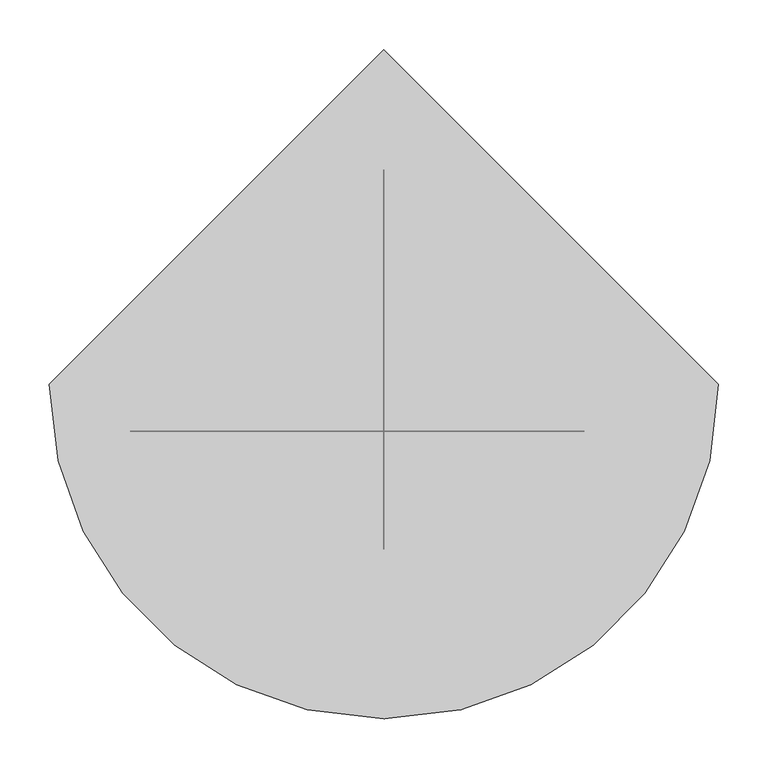
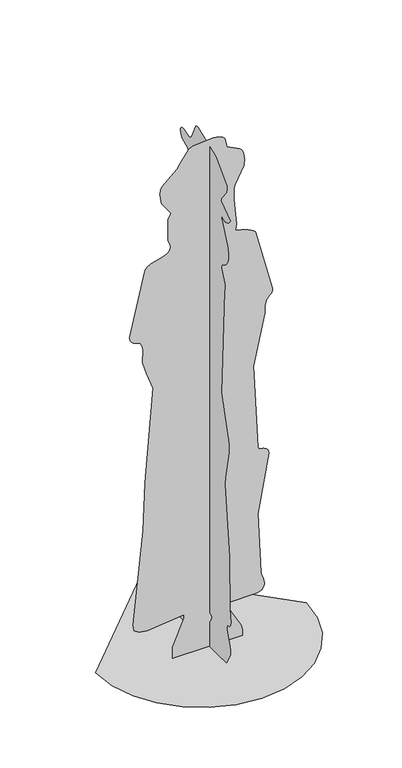
"""IFC4 building model written with IfcOpenShell, lengths in millimetres: proxy geometry."""

from ifc_helpers import new_model, si_unit, origin, place, context, project, spatial, triangles, source, transform, mapped, element, save


def entourage_bccc4cec(model_context):
    return source(origin(), model_context, "Body", "Tessellation", [
        triangles([(-118.6024808, -47.6347378, 38.0857067), (-82.4820657, -47.6347378, 123.5964438), (-82.4078333, -47.6347378, 135.8076262), (-201.8741967, -47.6347378, 123.6873812), (-226.8996859, -47.6347378, 127.3924875), (-242.8002052, -47.6347378, 138.1060324), (-245.9829143, -47.6347378, 157.9872498), (-214.4621093, -47.6347378, 467.6612801), (-208.2590723, -47.6347378, 628.7997002), (-182.2156765, -47.6347378, 942.5936279), (-202.3817602, -47.6347378, 998.3094858), (-215.4855752, -47.6347378, 1039.6298561), (-215.821474, -47.6347378, 1048.3150091), (-215.4215529, -47.6347378, 1056.8906485), (-214.7395452, -47.6347378, 1065.4273367), (-214.2301286, -47.6347378, 1073.9983252), (-214.3442568, -47.6347378, 1082.6742491), (-215.5356812, -47.6347378, 1091.525453), (-218.2581531, -47.6347378, 1100.6244616), (-222.7723761, -47.6347378, 1107.0752306), (-229.4309994, -47.6347378, 1111.2517199), (-237.1539292, -47.6347378, 1114.3369967), (-244.8601449, -47.6347378, 1117.5141283), (-251.4686623, -47.6347378, 1121.9680716), (-255.900314, -47.6347378, 1128.8818937), (-257.0722446, -47.6347378, 1139.4385895), (-207.167878, -47.6347378, 1352.9180008), (-199.4588645, -47.6347378, 1360.8821949), (-187.4852313, -47.6347378, 1366.7168678), (-173.049866, -47.6347378, 1371.2960941), (-157.9566194, -47.6347378, 1375.4901695), (-144.0093421, -47.6347378, 1380.1752033), (-133.0118575, -47.6347378, 1386.2222179), (-126.7670806, -47.6347378, 1394.5047066), (-125.4318332, -47.6347378, 1401.2803104), (-127.4128987, -47.6347378, 1413.4284061), (-129.6649143, -47.6347378, 1418.6895676), (-132.0486986, -47.6347378, 1423.3336155), (-134.0325528, -47.6347378, 1427.3051754), (-132.6945168, -47.6347378, 1497.2716896), (-129.1053917, -47.6347378, 1508.7544189), (-123.9945118, -47.6347378, 1516.4930454), (-154.1540899, -47.6347378, 1559.4809738), (-159.758617, -47.6347378, 1590.521957), (-157.2634931, -47.6347378, 1607.9851353), (-153.0368979, -47.6347378, 1617.2900906), (-104.5874569, -47.6347378, 1660.6611351), (-95.4448464, -47.6347378, 1675.8824444), (-68.2647649, -47.6347378, 1712.8964642), (-54.7860727, -47.6347378, 1720.8058651), (13.7932521, -47.6347378, 1725.7014965), (32.0821851, -47.6347378, 1722.1345631), (43.5352696, -47.6347378, 1716.6933254), (49.9127374, -47.6347378, 1709.5716671), (56.2159682, -47.6347378, 1680.0682354), (98.2526783, -47.6347378, 1658.6643093), (104.3554853, -47.6347378, 1651.602095), (108.8919907, -47.6347378, 1641.2540348), (113.2271458, -47.6347378, 1617.3336926), (111.7879713, -47.6347378, 1597.1945148), (82.8124053, -47.6347378, 1541.3868748), (78.3955873, -47.6347378, 1530.3560074), (78.221143, -47.6347378, 1494.4090736), (81.1505336, -47.6347378, 1473.5953732), (87.0705392, -47.6347378, 1407.3951988), (83.9407339, -47.6347378, 1386.1879177), (93.3691373, -47.6347378, 1383.7559441), (103.6669826, -47.6347378, 1380.9944847), (114.2487677, -47.6347378, 1377.7940987), (124.5280548, -47.6347378, 1374.0491238), (133.9212042, -47.6347378, 1369.6499737), (141.8417691, -47.6347378, 1364.4908409), (147.707027, -47.6347378, 1358.4631565), (203.1565494, -47.6347378, 1147.7563231), (202.6489859, -47.6347378, 1140.2069292), (200.5667729, -47.6347378, 1134.3936213), (197.3998514, -47.6347378, 1129.8329258), (193.6427769, -47.6347378, 1126.0443489), (189.7864171, -47.6347378, 1122.5442719), (186.3244191, -47.6347378, 1118.8530727), (183.7485771, -47.6347378, 1114.4864061), (180.7412388, -47.6347378, 1104.3026527), (179.3224846, -47.6347378, 1093.7014103), (178.9838061, -47.6347378, 1082.7503345), (179.2129891, -47.6347378, 1071.5218048), (142.1618895, -47.6347378, 903.7795), (156.0238159, -47.6347378, 623.7611996), (158.5087296, -47.6347378, 617.7901251), (163.2568046, -47.6347378, 614.8626148), (169.444036, -47.6347378, 613.3956259), (176.2446383, -47.6347378, 611.8079321), (182.8318089, -47.6347378, 608.5167086), (188.3815792, -47.6347378, 601.937895), (192.0662743, -47.6347378, 590.4912827), (156.0238159, -47.6347378, 396.418899), (165.8020344, -47.6347378, 192.9106632), (168.1923137, -47.6347378, 185.5199261), (170.9797162, -47.6347378, 177.5863805), (173.6307353, -47.6347378, 169.2955894), (175.6127365, -47.6347378, 160.8312623), (176.3903053, -47.6347378, 152.3799431), (175.4317882, -47.6347378, 144.1253325), (168.3491173, -47.6347378, 133.8915095), (154.6421597, -47.6347378, 127.7701444), (58.9885369, -47.6347378, 127.4899198), (56.2159682, -47.6347378, 116.4005713), (101.0707112, -47.6347378, 37.099348), (106.6641016, -47.6347378, 18.0541748), (105.8020812, -47.6347378, 0.0), (-118.3148349, -47.6347378, 0.0), (0.0, -54.5513123, 115.1627471), (0.0, -59.6705447, 112.2277973), (0.0, -61.6061461, 107.3080667), (0.0, -59.5796119, 99.6946324), (0.0, -52.8142817, 88.6758101), (0.0, -44.5346181, 79.7484753), (0.0, -38.0847779, 77.4212917), (0.0, -33.3088703, 80.3915047), (0.0, -30.0537933, 87.3554056), (0.0, -27.8620893, 119.17314), (0.0, -145.2091235, 6.8673968), (0.0, -161.5494597, 35.043119), (0.0, -163.7123909, 41.543994), (0.0, -165.0513535, 56.4646448), (0.0, -162.6425252, 70.0333479), (0.0, -147.9891137, 107.0380432), (0.0, -145.6443077, 119.6101773), (0.0, -147.0779139, 133.0350574), (0.0, -159.4477711, 133.9267726), (0.0, -165.7983283, 141.170898), (0.0, -167.6643299, 152.8364741), (0.0, -161.6821551, 195.066182), (0.0, -158.8307121, 370.4998415), (0.0, -134.8528152, 604.4088924), (0.0, -137.4657826, 630.1117567), (0.0, -156.4692102, 724.2417669), (0.0, -156.1305136, 755.55846), (0.0, -114.2079362, 903.3963112), (0.0, -130.4434278, 1258.6544231), (0.0, -135.0133432, 1270.3422272), (0.0, -134.2635979, 1282.5154667), (0.0, -115.83826, 1329.7483395), (0.0, -116.8218392, 1339.6092201), (0.0, -129.4932587, 1346.1220493), (0.0, -140.4582689, 1355.1042046), (0.0, -148.9049553, 1366.6277744), (0.0, -154.0176883, 1380.767173), (0.0, -154.9836359, 1397.5927448), (0.0, -150.989948, 1417.1780319), (0.0, -111.0354464, 1505.4037514), (0.0, -130.1557818, 1498.7358444), (0.0, -138.0614948, 1498.2014294), (0.0, -145.1534492, 1499.6340454), (0.0, -151.6478293, 1503.109996), (0.0, -157.761773, 1508.7042767), (0.0, -163.7123909, 1516.4930454), (0.0, -111.0354464, 1555.307246), (0.0, -115.3928657, 1565.6672241), (0.0, -142.5367666, 1601.7699623), (0.0, -145.4540849, 1612.3184464), (0.0, -144.3053451, 1624.618713), (0.0, -83.3116117, 1688.3858963), (0.0, 16.4971557, 1727.1999516), (0.0, 26.1092848, 1726.2803856), (0.0, 33.1455604, 1716.0308659), (0.0, 45.9051286, 1684.0145061), (0.0, 54.8352521, 1670.4856808), (0.0, 67.6013152, 1664.1008961), (0.0, 95.5905315, 1672.8909119), (0.0, 103.6679091, 1673.2759174), (0.0, 109.6602941, 1670.5971565), (0.0, 113.1909561, 1665.3155022), (0.0, 113.8794588, 1657.8950249), (0.0, 111.3472188, 1648.7960163), (0.0, 105.2165792, 1638.4815296), (0.0, 102.276061, 1635.772102), (0.0, 74.7192492, 1624.618713), (0.0, 65.7640727, 1614.5842964), (0.0, 62.4319768, 1602.0939251), (0.0, 63.3793663, 1588.1735538), (0.0, 83.036029, 1538.6727962), (0.0, 77.4992394, 1529.7277027), (0.0, 75.4829108, 1476.4142418), (0.0, 71.8251217, 1469.4614685), (0.0, 16.4971557, 1466.5886787), (0.0, 16.4971557, 1366.7799454), (0.0, 18.8484578, 1360.1881966), (0.0, 52.5396255, 1327.9658901), (0.0, 105.3622552, 1231.39911), (0.0, 120.552925, 982.93041), (0.0, 166.2103126, 823.3777943), (0.0, 167.4165798, 801.2900436), (0.0, 164.7089689, 783.1904217), (0.0, 144.2060597, 730.9643944), (0.0, 144.0306889, 718.0239052), (0.0, 171.7554501, 645.9398603), (0.0, 186.7995173, 525.8657578), (0.0, 217.1038449, 449.5254684), (0.0, 217.3831338, 436.7788991), (0.0, 207.796982, 424.1436602), (0.0, 134.1002903, 404.8247449), (0.0, 105.2156526, 404.7365962), (0.0, 152.8058437, 209.5887694), (0.0, 152.0635289, 186.4487575), (0.0, 141.0131496, 169.2779487), (0.0, 115.8067122, 150.5668179), (0.0, 57.3786288, 128.2990456), (0.0, 49.7670568, 127.4899198), (0.0, 46.994488, 116.4005713), (0.0, 56.6344519, 98.9615921), (0.0, 86.1621281, 72.0468923), (0.0, 157.830428, 32.1499226), (0.0, 159.4357079, 29.2929136), (0.0, 159.4867404, 24.5244297), (0.0, 158.6367741, 18.6443198), (0.0, 157.534425, 12.4515065), (0.0, 156.8329416, 6.7467698), (0.0, 157.1827568, 2.32996), (0.0, 159.2362106, 0.0), (0.0, -142.9329816, 0.0), (-339.349272, 0.0, 0.0), (-330.3783079, -77.756264, 0.0), (-304.8276146, -149.1629065, 0.0), (-264.7450685, -212.1748216, 0.0), (-212.1748216, -264.7450685, 0.0), (-149.1629065, -304.8276146, 0.0), (-77.756264, -330.3783079, 0.0), (0.0, -339.349272, 0.0), (77.756264, -330.3783079, 0.0), (149.1629065, -304.8276146, 0.0), (212.1748216, -264.7450685, 0.0), (264.7450685, -212.1748216, 0.0), (304.8276146, -149.1629065, 0.0), (330.3783079, -77.756264, 0.0), (339.349272, 0.0, 0.0), (0.0, 339.349272, 0.0)], [[108, 109, 110], [107, 108, 110], [107, 110, 1], [106, 107, 1], [106, 1, 2], [106, 2, 3], [105, 106, 3], [5, 6, 7], [4, 5, 7], [4, 7, 8], [3, 4, 8], [105, 3, 8], [104, 105, 8], [103, 104, 8], [102, 103, 8], [101, 102, 8], [100, 101, 8], [99, 100, 8], [98, 99, 8], [97, 98, 8], [96, 97, 8], [95, 96, 8], [95, 8, 9], [94, 95, 9], [93, 94, 9], [92, 93, 9], [91, 92, 9], [90, 91, 9], [89, 90, 9], [88, 89, 9], [87, 88, 9], [86, 87, 9], [86, 9, 10], [86, 10, 11], [85, 86, 11], [84, 85, 11], [84, 11, 12], [84, 12, 13], [84, 13, 14], [84, 14, 15], [84, 15, 16], [84, 16, 17], [83, 84, 17], [83, 17, 18], [82, 83, 18], [82, 18, 19], [81, 82, 19], [80, 81, 19], [80, 19, 20], [79, 80, 20], [78, 79, 20], [77, 78, 20], [76, 77, 20], [75, 76, 20], [74, 75, 20], [73, 74, 20], [72, 73, 20], [71, 72, 20], [70, 71, 20], [69, 70, 20], [68, 69, 20], [67, 68, 20], [66, 67, 20], [66, 20, 21], [66, 21, 22], [66, 22, 23], [66, 23, 24], [66, 24, 25], [66, 25, 26], [66, 26, 27], [66, 27, 28], [66, 28, 29], [66, 29, 30], [66, 30, 31], [66, 31, 32], [66, 32, 33], [66, 33, 34], [66, 34, 35], [65, 66, 35], [64, 65, 35], [64, 35, 36], [64, 36, 37], [63, 64, 37], [63, 37, 38], [63, 38, 39], [63, 39, 40], [63, 40, 41], [63, 41, 42], [62, 63, 42], [61, 62, 42], [61, 42, 43], [61, 43, 44], [61, 44, 45], [61, 45, 46], [61, 46, 47], [61, 47, 48], [60, 61, 48], [59, 60, 48], [58, 59, 48], [57, 58, 48], [56, 57, 48], [55, 56, 48], [55, 48, 49], [55, 49, 50], [55, 50, 51], [55, 51, 52], [55, 52, 53], [55, 53, 54], [218, 219, 220], [115, 123, 124], [115, 124, 125], [114, 115, 125], [114, 125, 126], [113, 114, 126], [113, 126, 127], [217, 218, 220], [155, 156, 157], [122, 123, 115], [122, 115, 116], [121, 122, 116], [216, 217, 220], [215, 216, 220], [214, 215, 220], [213, 214, 220], [212, 213, 220], [211, 212, 220], [210, 211, 220], [210, 220, 121], [209, 210, 121], [112, 113, 127], [112, 127, 128], [183, 184, 185], [180, 181, 182], [121, 116, 117], [209, 121, 117], [209, 117, 118], [209, 118, 119], [209, 119, 120], [208, 209, 120], [154, 155, 157], [153, 154, 157], [152, 153, 157], [151, 152, 157], [150, 151, 157], [163, 164, 165], [162, 163, 165], [162, 165, 166], [128, 129, 130], [128, 130, 131], [112, 128, 131], [112, 131, 132], [111, 112, 132], [120, 111, 132], [208, 120, 132], [208, 132, 133], [207, 208, 133], [206, 207, 133], [205, 206, 133], [204, 205, 133], [203, 204, 133], [202, 203, 133], [202, 133, 134], [182, 183, 185], [202, 134, 135], [180, 182, 185], [162, 166, 167], [161, 162, 167], [160, 161, 167], [159, 160, 167], [158, 159, 167], [157, 158, 167], [157, 167, 168], [150, 157, 168], [201, 202, 135], [200, 201, 135], [199, 200, 135], [198, 199, 135], [197, 198, 135], [196, 197, 135], [195, 196, 135], [195, 135, 136], [194, 195, 136], [194, 136, 137], [193, 194, 137], [192, 193, 137], [191, 192, 137], [191, 137, 138], [190, 191, 138], [190, 138, 139], [189, 190, 139], [188, 189, 139], [188, 139, 140], [188, 140, 141], [188, 141, 142], [187, 188, 142], [187, 142, 143], [186, 187, 143], [185, 186, 143], [185, 143, 144], [185, 144, 145], [185, 145, 146], [185, 146, 147], [185, 147, 148], [185, 148, 149], [185, 149, 150], [185, 150, 168], [170, 171, 172], [170, 172, 173], [169, 170, 173], [169, 173, 174], [169, 174, 175], [169, 175, 176], [168, 169, 176], [168, 176, 177], [168, 177, 178], [185, 168, 178], [185, 178, 179], [180, 185, 179], [235, 236, 221], [234, 235, 221], [234, 221, 222], [233, 234, 222], [233, 222, 223], [233, 223, 224], [232, 233, 224], [231, 232, 224], [231, 224, 225], [231, 225, 226], [231, 226, 227], [231, 227, 228], [231, 228, 229], [231, 229, 230]], closed=False),
    ])


if __name__ == "__main__":
    model = new_model("IFC4")
    model_context = context("Model", 3, world=origin())
    ifc_project = project(units=[si_unit("LENGTHUNIT", "METRE", prefix="MILLI")], contexts=[model_context])
    site = spatial("IfcSite", under=ifc_project)
    building = spatial("IfcBuilding", under=site)
    placement = place(None, origin())
    entourage_shape = entourage_bccc4cec(model_context)
    element("IfcBuildingElementProxy", 1, Name="Entourage", at=placement, inside=building, context=model_context, shape_type="MappedRepresentation", body=[
        mapped(entourage_shape, transform((0.0, 0.0, 0.0), x_axis=(1.0, 0.0, 0.0), y_axis=(0.0, 1.0, 0.0), z_axis=(0.0, 0.0, 1.0))),
    ])
    save(model, "model.ifc")
